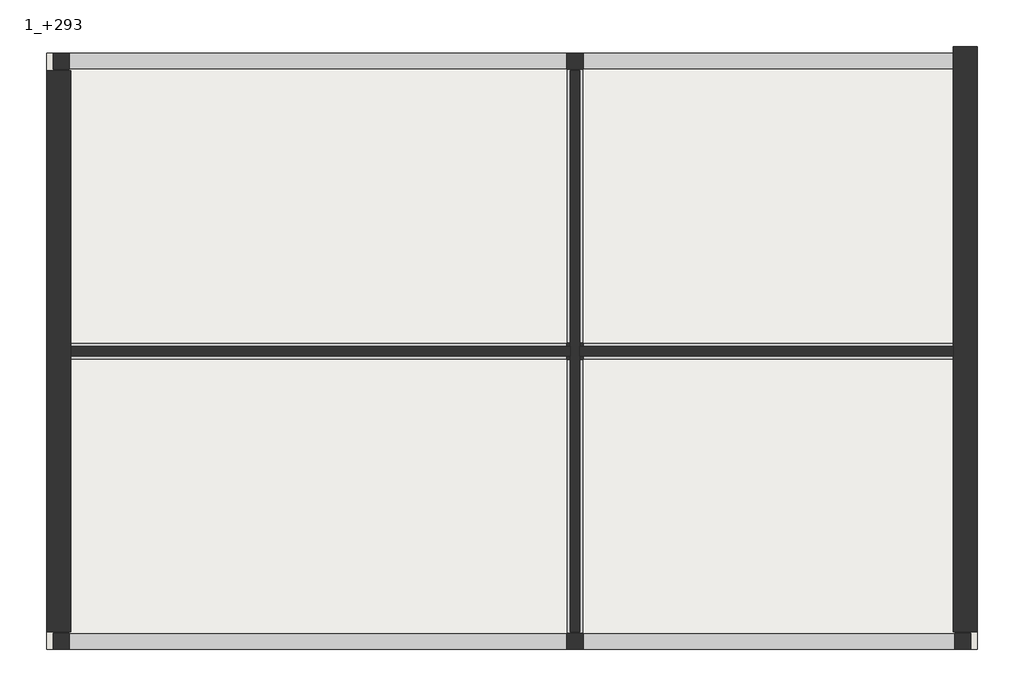
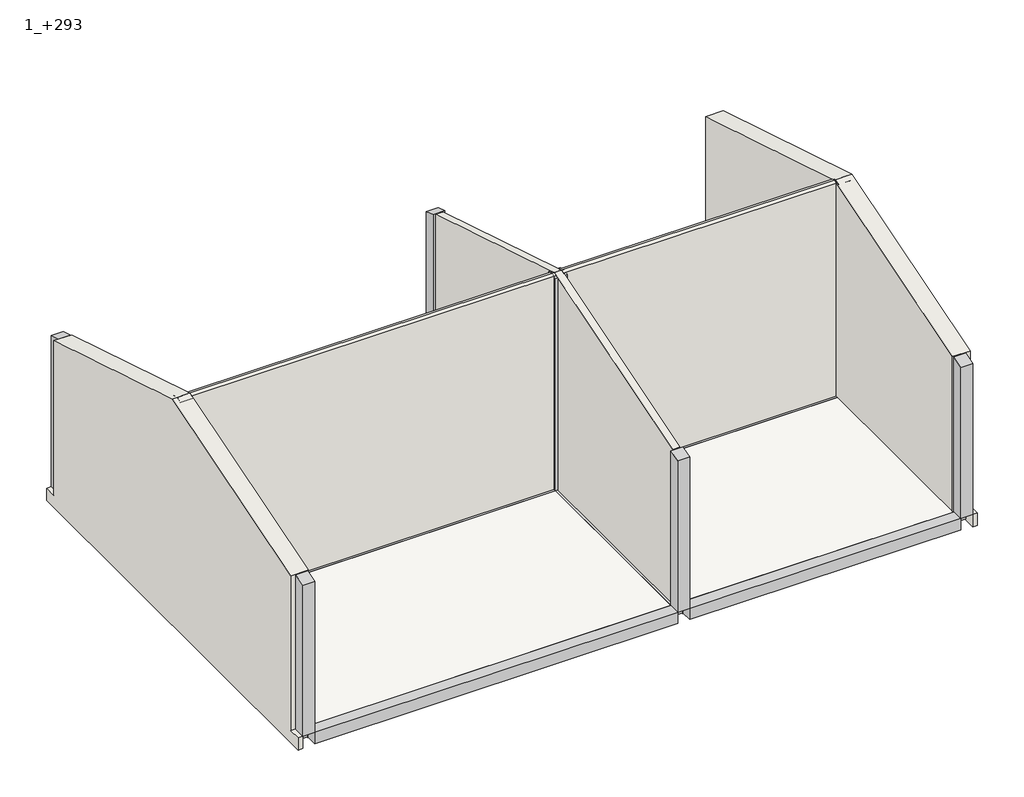
# One storey: 10 beams, 9 columns, 4 walls, 1 slab.
"""IFC4 building model written with IfcOpenShell, lengths in millimetres."""

from ifc_helpers import new_model, si_unit, frame, origin, place, context, project, spatial, polyline, outline, extrude, faceted_brep, element, save

model = new_model("IFC4")

# Units and contexts
model_context = context("Model", 3, world=origin())
ifc_project = project(units=[si_unit("LENGTHUNIT", "METRE", prefix="MILLI")], contexts=[model_context])

# Site, building, storey
site = spatial("IfcSite", under=ifc_project)
building = spatial("IfcBuilding", under=site)
storey = spatial("IfcBuildingStorey", under=building, Name="1_+293", Elevation=2930.0)

# Beams
placement = place(None, origin())
element("IfcBeam", 1, ObjectType="Concrete - Rectangular Beam : 250 x 250 mm", at=placement, inside=storey, context=model_context, shape_type="SweptSolid", body=[
    extrude(outline(polyline([(3426.1680841, 11934.6977103), (3426.1680841, 11684.6977103), (-4216.2748084, 11684.6977103), (-4216.2748084, 11934.6977103), (3426.1680841, 11934.6977103)])), frame((0.0, 0.0, 2680.0), z_axis=(0.0, 0.0, 1.0), x_axis=(1.0, 0.0, 0.0)), (0.0, 0.0, 1.0), 250.0),
])
element("IfcBeam", 2, ObjectType="Concrete - Rectangular Beam : 250 x 250 mm", at=placement, inside=storey, context=model_context, shape_type="SweptSolid", body=[
    extrude(outline(polyline([(3676.1680841, 11684.6977103), (3676.1680841, 11934.6977103), (9386.1680841, 11934.6977103), (9386.1680841, 11684.6977103), (3676.1680841, 11684.6977103)])), frame((0.0, 0.0, 2680.0), z_axis=(0.0, 0.0, 1.0), x_axis=(1.0, 0.0, 0.0)), (0.0, 0.0, 1.0), 250.0),
])
element("IfcBeam", 3, ObjectType="Concrete - Rectangular Beam : 250 x 250 mm", at=placement, inside=storey, context=model_context, shape_type="SweptSolid", body=[
    extrude(outline(polyline([(9386.1680841, 11684.6977103), (9636.1680841, 11684.6977103), (9636.1680841, 7474.6977103), (9386.1680841, 7474.6977103), (9386.1680841, 11684.6977103)])), frame((0.0, 0.0, 2680.0), z_axis=(0.0, 0.0, 1.0), x_axis=(1.0, 0.0, 0.0)), (0.0, 0.0, 1.0), 250.0),
])
element("IfcBeam", 4, ObjectType="Concrete - Rectangular Beam : 250 x 250 mm", at=placement, inside=storey, context=model_context, shape_type="SweptSolid", body=[
    extrude(outline(polyline([(9386.1680841, 7224.6977103), (9636.1680841, 7224.6977103), (9636.1680841, 3014.6977103), (9386.1680841, 3014.6977103), (9386.1680841, 7224.6977103)])), frame((0.0, 0.0, 2680.0), z_axis=(0.0, 0.0, 1.0), x_axis=(1.0, 0.0, 0.0)), (0.0, 0.0, 1.0), 250.0),
])
element("IfcBeam", 5, ObjectType="Concrete - Rectangular Beam : 250 x 250 mm", at=placement, inside=storey, context=model_context, shape_type="SweptSolid", body=[
    extrude(outline(polyline([(9386.1680841, 3014.6977103), (9386.1680841, 2764.6977103), (3676.1680841, 2764.6977103), (3676.1680841, 3014.6977103), (9386.1680841, 3014.6977103)])), frame((0.0, 0.0, 2680.0), z_axis=(0.0, 0.0, 1.0), x_axis=(1.0, 0.0, 0.0)), (0.0, 0.0, 1.0), 250.0),
])
element("IfcBeam", 6, ObjectType="Concrete - Rectangular Beam : 250 x 250 mm", at=placement, inside=storey, context=model_context, shape_type="SweptSolid", body=[
    extrude(outline(polyline([(3426.1680841, 3014.6977103), (3426.1680841, 2764.6977103), (-4216.2748084, 2764.6977103), (-4216.2748084, 3014.6977103), (3426.1680841, 3014.6977103)])), frame((0.0, 0.0, 2680.0), z_axis=(0.0, 0.0, 1.0), x_axis=(1.0, 0.0, 0.0)), (0.0, 0.0, 1.0), 250.0),
])
element("IfcBeam", 7, ObjectType="Concrete - Rectangular Beam : 250 x 250 mm", at=placement, inside=storey, context=model_context, shape_type="SweptSolid", body=[
    extrude(outline(polyline([(-4216.2748084, 3014.6977103), (-4466.2748084, 3014.6977103), (-4466.2748084, 7224.6977103), (-4216.2748084, 7224.6977103), (-4216.2748084, 3014.6977103)])), frame((0.0, 0.0, 2680.0), z_axis=(0.0, 0.0, 1.0), x_axis=(1.0, 0.0, 0.0)), (0.0, 0.0, 1.0), 250.0),
])
element("IfcBeam", 8, ObjectType="Concrete - Rectangular Beam : 250 x 250 mm", at=placement, inside=storey, context=model_context, shape_type="SweptSolid", body=[
    extrude(outline(polyline([(-4466.2748084, 11684.6977103), (-4216.2748084, 11684.6977103), (-4216.2748084, 7474.6977103), (-4466.2748084, 7474.6977103), (-4466.2748084, 11684.6977103)])), frame((0.0, 0.0, 2680.0), z_axis=(0.0, 0.0, 1.0), x_axis=(1.0, 0.0, 0.0)), (0.0, 0.0, 1.0), 250.0),
])
element("IfcBeam", 9, ObjectType="Concrete - Rectangular Beam : 250 x 250 mm", at=placement, inside=storey, context=model_context, shape_type="SweptSolid", body=[
    extrude(outline(polyline([(3676.1680841, 3014.6977103), (3426.1680841, 3014.6977103), (3426.1680841, 7224.6977103), (3676.1680841, 7224.6977103), (3676.1680841, 3014.6977103)])), frame((0.0, 0.0, 2680.0), z_axis=(0.0, 0.0, 1.0), x_axis=(1.0, 0.0, 0.0)), (0.0, 0.0, 1.0), 250.0),
    extrude(outline(polyline([(3426.1680841, 11684.6977103), (3676.1680841, 11684.6977103), (3676.1680841, 7474.6977103), (3426.1680841, 7474.6977103), (3426.1680841, 11684.6977103)])), frame((0.0, 0.0, 2680.0), z_axis=(0.0, 0.0, 1.0), x_axis=(1.0, 0.0, 0.0)), (0.0, 0.0, 1.0), 250.0),
])
element("IfcBeam", 10, ObjectType="Concrete - Rectangular Beam : 250 x 250 mm", at=placement, inside=storey, context=model_context, shape_type="SweptSolid", body=[
    extrude(outline(polyline([(-4216.2748084, 7224.6977103), (-4216.2748084, 7474.6977103), (3426.1680841, 7474.6977103), (3426.1680841, 7224.6977103), (-4216.2748084, 7224.6977103)])), frame((0.0, 0.0, 2680.0), z_axis=(0.0, 0.0, 1.0), x_axis=(1.0, 0.0, 0.0)), (0.0, 0.0, 1.0), 250.0),
    extrude(outline(polyline([(9386.1680841, 7474.6977103), (9386.1680841, 7224.6977103), (3676.1680841, 7224.6977103), (3676.1680841, 7474.6977103), (9386.1680841, 7474.6977103)])), frame((0.0, 0.0, 2680.0), z_axis=(0.0, 0.0, 1.0), x_axis=(1.0, 0.0, 0.0)), (0.0, 0.0, 1.0), 250.0),
])

# Columns
element("IfcColumn", 11, ObjectType="Concrete Square : 250 x 250 mm", at=placement, inside=storey, context=model_context, shape_type="SweptSolid", body=[
    extrude(outline(polyline([(11934.6977103, 2930.0), (11684.6977103, 2930.0), (11684.6977103, 6373.9470166), (11934.6977103, 6297.5143463), (11934.6977103, 2930.0)])), frame((-4466.2748084, 0.0, 0.0), z_axis=(1.0, 0.0, 0.0), x_axis=(0.0, 1.0, 0.0)), (0.0, 0.0, 1.0), 250.0),
])
element("IfcColumn", 12, ObjectType="Concrete Square : 250 x 250 mm", at=placement, inside=storey, context=model_context, shape_type="SweptSolid", body=[
    extrude(outline(polyline([(11934.6977103, 2930.0), (11684.6977103, 2930.0), (11684.6977103, 6373.9470166), (11934.6977103, 6297.5143463), (11934.6977103, 2930.0)])), frame((3426.1680841, 0.0, 0.0), z_axis=(1.0, 0.0, 0.0), x_axis=(0.0, 1.0, 0.0)), (0.0, 0.0, 1.0), 250.0),
])
element("IfcColumn", 13, ObjectType="Concrete Square : 250 x 250 mm", at=placement, inside=storey, context=model_context, shape_type="SweptSolid", body=[
    extrude(outline(polyline([(11934.6977103, 2930.0), (11684.6977103, 2930.0), (11684.6977103, 6373.9470166), (11934.6977103, 6297.5143463), (11934.6977103, 2930.0)])), frame((9386.1680841, 0.0, 0.0), z_axis=(1.0, 0.0, 0.0), x_axis=(0.0, 1.0, 0.0)), (0.0, 0.0, 1.0), 250.0),
])
element("IfcColumn", 14, ObjectType="Concrete Square : 250 x 250 mm", at=placement, inside=storey, context=model_context, shape_type="SweptSolid", body=[
    extrude(outline(polyline([(7474.6977103, 2930.0), (7224.6977103, 2930.0), (7224.6977103, 7661.0731856), (7349.6977103, 7699.2895208), (7474.6977103, 7661.0731856), (7474.6977103, 2930.0)])), frame((9386.1680841, 0.0, 0.0), z_axis=(1.0, 0.0, 0.0), x_axis=(0.0, 1.0, 0.0)), (0.0, 0.0, 1.0), 250.0),
])
element("IfcColumn", 15, ObjectType="Concrete Square : 250 x 250 mm", at=placement, inside=storey, context=model_context, shape_type="SweptSolid", body=[
    extrude(outline(polyline([(7474.6977103, 2930.0), (7224.6977103, 2930.0), (7224.6977103, 7661.0731856), (7349.6977103, 7699.2895208), (7474.6977103, 7661.0731856), (7474.6977103, 2930.0)])), frame((3426.1680841, 0.0, 0.0), z_axis=(1.0, 0.0, 0.0), x_axis=(0.0, 1.0, 0.0)), (0.0, 0.0, 1.0), 250.0),
])
element("IfcColumn", 16, ObjectType="Concrete Square : 250 x 250 mm", at=placement, inside=storey, context=model_context, shape_type="SweptSolid", body=[
    extrude(outline(polyline([(3014.6977103, 2930.0), (2764.6977103, 2930.0), (2764.6977103, 6297.5143463), (3014.6977103, 6373.9470166), (3014.6977103, 2930.0)])), frame((9386.1680841, 0.0, 0.0), z_axis=(1.0, 0.0, 0.0), x_axis=(0.0, 1.0, 0.0)), (0.0, 0.0, 1.0), 250.0),
])
element("IfcColumn", 17, ObjectType="Concrete Square : 250 x 250 mm", at=placement, inside=storey, context=model_context, shape_type="SweptSolid", body=[
    extrude(outline(polyline([(3014.6977103, 2930.0), (2764.6977103, 2930.0), (2764.6977103, 6297.5143463), (3014.6977103, 6373.9470166), (3014.6977103, 2930.0)])), frame((3426.1680841, 0.0, 0.0), z_axis=(1.0, 0.0, 0.0), x_axis=(0.0, 1.0, 0.0)), (0.0, 0.0, 1.0), 250.0),
])
element("IfcColumn", 18, ObjectType="Concrete Square : 250 x 250 mm", at=placement, inside=storey, context=model_context, shape_type="SweptSolid", body=[
    extrude(outline(polyline([(3014.6977103, 2930.0), (2764.6977103, 2930.0), (2764.6977103, 6297.5143463), (3014.6977103, 6373.9470166), (3014.6977103, 2930.0)])), frame((-4466.2748084, 0.0, 0.0), z_axis=(1.0, 0.0, 0.0), x_axis=(0.0, 1.0, 0.0)), (0.0, 0.0, 1.0), 250.0),
])
element("IfcColumn", 19, ObjectType="Concrete Square : 250 x 250 mm", at=placement, inside=storey, context=model_context, shape_type="SweptSolid", body=[
    extrude(outline(polyline([(7474.6977103, 2930.0), (7224.6977103, 2930.0), (7224.6977103, 7661.0731856), (7349.6977103, 7699.2895208), (7474.6977103, 7661.0731856), (7474.6977103, 2930.0)])), frame((-4466.2748084, 0.0, 0.0), z_axis=(1.0, 0.0, 0.0), x_axis=(0.0, 1.0, 0.0)), (0.0, 0.0, 1.0), 250.0),
])

# Slab
element("IfcSlab", 20, ObjectType="Floor_27", at=placement, inside=storey, context=model_context, shape_type="SweptSolid", body=[
    extrude(outline(polyline([(3426.1680841, 11684.6977103), (3426.1680841, 7474.6977103), (-4216.2748084, 7474.6977103), (-4216.2748084, 11684.6977103), (3426.1680841, 11684.6977103)])), frame((0.0, 0.0, 2660.0), z_axis=(0.0, 0.0, 1.0), x_axis=(1.0, 0.0, 0.0)), (0.0, 0.0, 1.0), 270.0),
    extrude(outline(polyline([(9386.1680841, 7474.6977103), (3676.1680841, 7474.6977103), (3676.1680841, 11684.6977103), (9386.1680841, 11684.6977103), (9386.1680841, 7474.6977103)])), frame((0.0, 0.0, 2660.0), z_axis=(0.0, 0.0, 1.0), x_axis=(1.0, 0.0, 0.0)), (0.0, 0.0, 1.0), 270.0),
    extrude(outline(polyline([(3426.1680841, 7224.6977103), (3426.1680841, 3014.6977103), (-4216.2748084, 3014.6977103), (-4216.2748084, 7224.6977103), (3426.1680841, 7224.6977103)])), frame((0.0, 0.0, 2660.0), z_axis=(0.0, 0.0, 1.0), x_axis=(1.0, 0.0, 0.0)), (0.0, 0.0, 1.0), 270.0),
    extrude(outline(polyline([(9386.1680841, 3014.6977103), (3676.1680841, 3014.6977103), (3676.1680841, 7224.6977103), (9386.1680841, 7224.6977103), (9386.1680841, 3014.6977103)])), frame((0.0, 0.0, 2660.0), z_axis=(0.0, 0.0, 1.0), x_axis=(1.0, 0.0, 0.0)), (0.0, 0.0, 1.0), 270.0),
])

# Walls
element("IfcWall", 21, ObjectType="Wall_Ext_37cm", at=placement, inside=storey, context=model_context, shape_type="Brep", body=[
    faceted_brep([(9736.1680841, 12034.6977103, 2660.0), (9736.1680841, 12034.6977103, 6266.9412781), (9736.1680841, 7349.6977103, 7699.2895208), (9736.1680841, 3034.6977103, 6380.0616303), (9736.1680841, 3034.6977103, 2930.0), (9736.1680841, 2764.6977103, 2930.0), (9736.1680841, 2764.6977103, 2660.0), (9366.1680841, 3034.6977103, 2930.0), (9366.1680841, 3034.6977103, 6380.0616303), (9366.1680841, 7274.6977103, 7676.3597197), (9366.1680841, 7349.6977103, 7699.2895208), (9366.1680841, 7424.6977103, 7676.3597197), (9366.1680841, 11664.6977103, 6380.0616303), (9366.1680841, 12034.6977103, 6266.9412781), (9366.1680841, 12034.6977103, 2930.0), (9366.1680841, 11684.6977103, 2930.0), (9366.1680841, 11664.6977103, 2930.0), (9366.1680841, 7474.6977103, 2930.0), (9366.1680841, 7424.6977103, 2930.0), (9366.1680841, 7274.6977103, 2930.0), (9366.1680841, 7224.6977103, 2930.0), (9636.1680841, 12034.6977103, 2930.0), (9636.1680841, 11934.6977103, 2930.0), (9636.1680841, 3034.6977103, 2930.0), (9386.1680841, 3034.6977103, 2930.0), (9636.1680841, 12034.6977103, 2660.0), (9636.1680841, 11934.6977103, 2660.0), (9636.1680841, 2764.6977103, 2660.0), (9636.1680841, 2764.6977103, 2930.0)], [[[0, 1, 2, 3, 4, 5, 6]], [[7, 8, 9, 10, 11, 12, 13, 14, 15, 16, 17, 18, 19, 20]], [[14, 21, 22, 23, 24, 7, 20, 19, 18, 17, 16, 15]], [[3, 8, 7, 24, 23, 4]], [[1, 0, 25, 21, 14, 13]], [[23, 22, 21, 25, 26, 27, 28]], [[25, 0, 6, 27, 26]], [[5, 4, 23, 28]], [[27, 6, 5, 28]], [[8, 3, 2, 10, 9]], [[1, 13, 12, 11, 10, 2]]]),
])
element("IfcWall", 22, ObjectType="Wall_Ext_37cm", at=placement, inside=storey, context=model_context, shape_type="Brep", body=[
    faceted_brep([(-4566.2748084, 2764.6977103, 2930.0), (-4566.2748084, 3034.6977103, 2930.0), (-4566.2748084, 3034.6977103, 6380.0616303), (-4566.2748084, 7349.6977103, 7699.2895208), (-4566.2748084, 11664.6977103, 6380.0616303), (-4566.2748084, 11664.6977103, 2930.0), (-4566.2748084, 11934.6977103, 2930.0), (-4566.2748084, 11934.6977103, 2660.0), (-4566.2748084, 2764.6977103, 2660.0), (-4196.2748084, 3034.6977103, 6380.0616303), (-4196.2748084, 3034.6977103, 2930.0), (-4196.2748084, 7224.6977103, 2930.0), (-4196.2748084, 7274.6977103, 2930.0), (-4196.2748084, 7424.6977103, 2930.0), (-4196.2748084, 7474.6977103, 2930.0), (-4196.2748084, 11664.6977103, 2930.0), (-4196.2748084, 11664.6977103, 6380.0616303), (-4196.2748084, 7424.6977103, 7676.3597197), (-4196.2748084, 7349.6977103, 7699.2895208), (-4196.2748084, 7274.6977103, 7676.3597197), (-4466.2748084, 3034.6977103, 2930.0), (-4466.2748084, 11664.6977103, 2930.0), (-4216.2748084, 11664.6977103, 2930.0), (-4216.2748084, 3034.6977103, 2930.0), (-4466.2748084, 2764.6977103, 2930.0), (-4466.2748084, 2764.6977103, 2660.0), (-4466.2748084, 11934.6977103, 2660.0), (-4466.2748084, 11934.6977103, 2930.0)], [[[0, 1, 2, 3, 4, 5, 6, 7, 8]], [[9, 10, 11, 12, 13, 14, 15, 16, 17, 18, 19]], [[20, 21, 22, 15, 14, 13, 12, 11, 10, 23]], [[21, 20, 24, 25, 26, 27]], [[25, 8, 7, 26]], [[10, 9, 2, 1, 20, 23]], [[4, 16, 15, 22, 21, 5]], [[24, 20, 1, 0]], [[8, 25, 24, 0]], [[6, 5, 21, 27]], [[26, 7, 6, 27]], [[16, 4, 3, 18, 17]], [[2, 9, 19, 18, 3]]]),
])
element("IfcWall", 23, ObjectType="Wall_Int_15 cm", at=placement, inside=storey, context=model_context, shape_type="Brep", body=[
    faceted_brep([(3476.1680841, 11664.6977103, 2930.0), (3476.1680841, 7424.6977103, 2930.0), (3476.1680841, 7274.6977103, 2930.0), (3476.1680841, 3034.6977103, 2930.0), (3476.1680841, 3034.6977103, 6380.0616303), (3476.1680841, 7274.6977103, 7676.3597197), (3476.1680841, 7349.6977103, 7699.2895208), (3476.1680841, 7424.6977103, 7676.3597197), (3476.1680841, 11664.6977103, 6380.0616303), (3626.1680841, 11664.6977103, 2930.0), (3626.1680841, 11664.6977103, 6380.0616303), (3626.1680841, 7424.6977103, 7676.3597197), (3626.1680841, 7349.6977103, 7699.2895208), (3626.1680841, 7274.6977103, 7676.3597197), (3626.1680841, 3034.6977103, 6380.0616303), (3626.1680841, 3034.6977103, 2930.0), (3626.1680841, 7274.6977103, 2930.0), (3626.1680841, 7424.6977103, 2930.0)], [[[0, 1, 2, 3, 4, 5, 6, 7, 8]], [[9, 10, 11, 12, 13, 14, 15, 16, 17]], [[3, 2, 1, 0, 9, 17, 16, 15]], [[4, 3, 15, 14]], [[0, 8, 10, 9]], [[8, 7, 6, 12, 11, 10]], [[6, 5, 4, 14, 13, 12]]]),
])
element("IfcWall", 24, ObjectType="Wall_Int_15 cm", at=placement, inside=storey, context=model_context, shape_type="Brep", body=[
    faceted_brep([(9366.1680841, 7424.6977103, 7676.3597197), (9366.1680841, 7424.6977103, 2930.0), (3626.1680841, 7424.6977103, 2930.0), (3626.1680841, 7424.6977103, 7676.3597197), (9366.1680841, 7274.6977103, 2930.0), (9366.1680841, 7274.6977103, 7676.3597197), (3626.1680841, 7274.6977103, 7676.3597197), (3626.1680841, 7274.6977103, 2930.0), (9366.1680841, 7349.6977103, 7699.2895208), (3626.1680841, 7349.6977103, 7699.2895208)], [[[0, 1, 2, 3]], [[4, 5, 6, 7]], [[1, 4, 7, 2]], [[1, 0, 8, 5, 4]], [[3, 2, 7, 6, 9]], [[8, 0, 3, 9]], [[5, 8, 9, 6]]]),
    faceted_brep([(-4196.2748084, 7424.6977103, 2930.0), (-4196.2748084, 7424.6977103, 3100.0), (-4196.2748084, 7424.6977103, 7676.3597197), (3476.1680841, 7424.6977103, 7676.3597197), (3476.1680841, 7424.6977103, 3100.0), (3476.1680841, 7424.6977103, 2930.0), (-4196.2748084, 7274.6977103, 7676.3597197), (-4196.2748084, 7274.6977103, 2930.0), (3476.1680841, 7274.6977103, 2930.0), (3476.1680841, 7274.6977103, 7676.3597197), (3476.1680841, 7349.6977103, 7699.2895208), (-4196.2748084, 7349.6977103, 7699.2895208)], [[[0, 1, 2, 3, 4, 5]], [[6, 7, 8, 9]], [[7, 0, 5, 8]], [[5, 4, 3, 10, 9, 8]], [[2, 1, 0, 7, 6, 11]], [[2, 11, 10, 3]], [[11, 6, 9, 10]]]),
])

save(model, "model.ifc")
